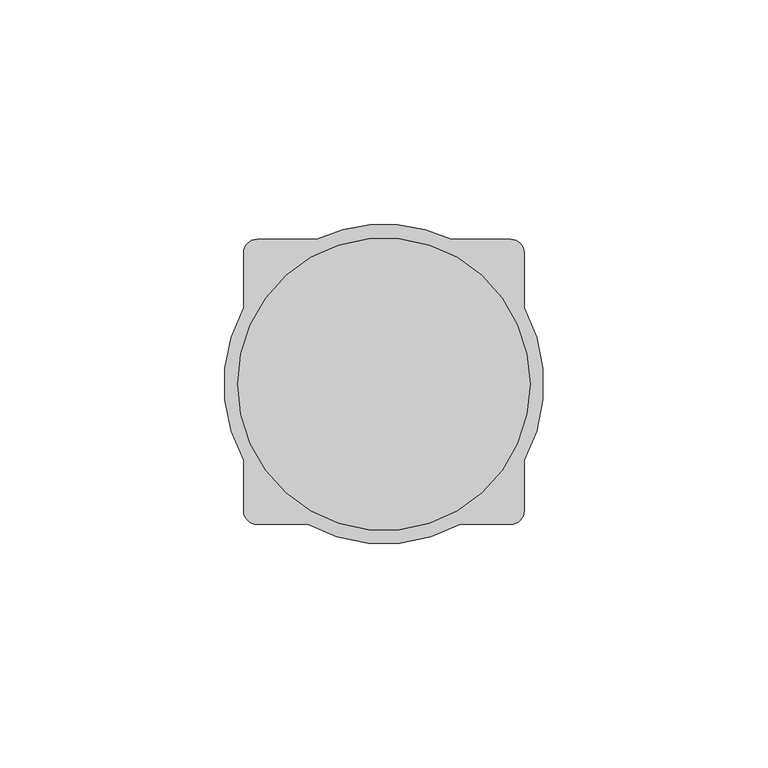
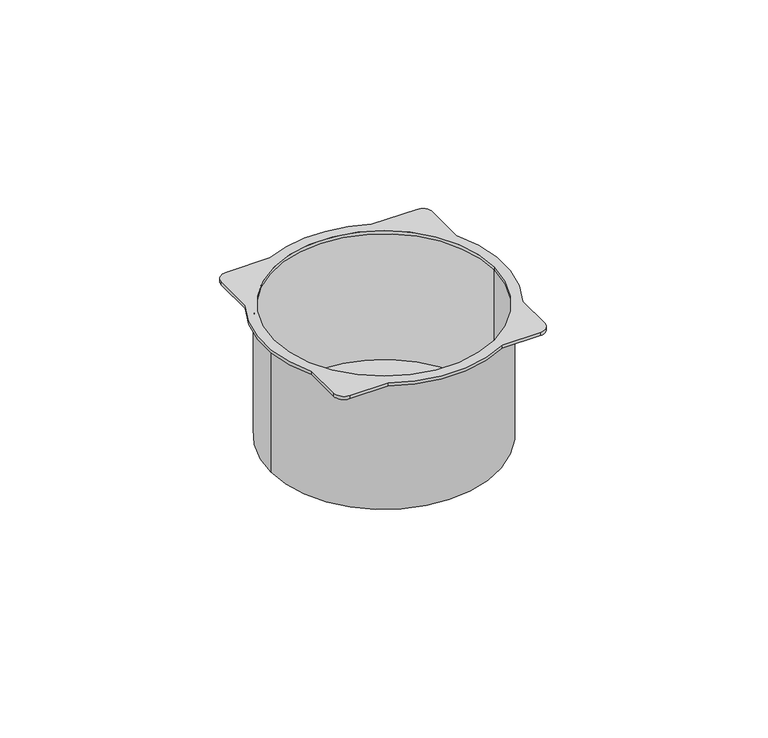
"""IFC4 building model written with IfcOpenShell, lengths in millimetres: proxy geometry."""

from ifc_helpers import new_model, si_unit, point, frame, origin, origin_with_axes, origin_2d, place, context, project, spatial, polyline, circle_curve, trimmed, segment, composite_curve, outline, extrude, source, transform, mapped, element, save
from ifc_brep_helpers import plane_surface, cylinder_surface, revolved_surface, advanced_brep


def electrical_fixtures_b76a7999(model_context):
    return source(origin(), model_context, "Body", "SolidModel", [
        advanced_brep(
        [(33.5, 0.0, -40.0), (-33.5, 0.0, -40.0), (32.5, 0.0, -40.0), (-32.5, 0.0, -40.0), (-32.5, 0.0, 0.0), (32.5, 0.0, 0.0), (-33.5, 0.0, 0.0), (33.5, 0.0, 0.0), (31.1875, -16.9584741, 1.0), (31.1875, 16.9584741, 1.0), (31.1875, 29.1875, 1.0), (28.1875, 32.1875, 1.0), (14.9738053, 32.1875, 1.0), (-14.9738053, 32.1875, 1.0), (-28.1875, 32.1875, 1.0), (-31.1875, 29.1875, 1.0), (-31.1875, 16.9584741, 1.0), (-31.1875, -16.9584741, 1.0), (-31.1875, -28.1875, 1.0), (-28.1875, -31.1875, 1.0), (-16.9584741, -31.1875, 1.0), (16.9584741, -31.1875, 1.0), (28.1875, -31.1875, 1.0), (31.1875, -28.1875, 1.0), (-32.5, 0.0, 1.0), (32.5, 0.0, 1.0), (31.1875, -16.9584741, 0.0), (31.1875, -28.1875, 0.0), (28.1875, -31.1875, 0.0), (16.9584741, -31.1875, 0.0), (-16.9584741, -31.1875, 0.0), (-28.1875, -31.1875, 0.0), (-31.1875, -28.1875, 0.0), (-31.1875, -16.9584741, 0.0), (-31.1875, 16.9584741, 0.0), (-31.1875, 29.1875, 0.0), (-28.1875, 32.1875, 0.0), (-14.9738053, 32.1875, 0.0), (14.9738053, 32.1875, 0.0), (28.1875, 32.1875, 0.0), (31.1875, 29.1875, 0.0), (31.1875, 16.9584741, 0.0)],
        [
            (0, 1, circle_curve(frame((0.0, 0.0, -40.0), z_axis=(0.0, 0.0, -1.0), x_axis=(1.0, 0.0, 0.0)), 33.5)),
            (1, 0, circle_curve(frame((0.0, 0.0, -40.0), z_axis=(0.0, 0.0, -1.0), x_axis=(1.0, 0.0, 0.0)), 33.5)),
            (2, 3, circle_curve(frame((0.0, 0.0, -40.0), z_axis=(0.0, 0.0, 1.0), x_axis=(1.0, 0.0, 0.0)), 32.5)),
            (3, 2, circle_curve(frame((0.0, 0.0, -40.0), z_axis=(0.0, 0.0, 1.0), x_axis=(1.0, 0.0, 0.0)), 32.5)),
            (3, 4),
            (4, 5, circle_curve(origin_with_axes(), 32.5)),
            (5, 2),
            (5, 4, circle_curve(origin_with_axes(), 32.5)),
            (1, 6),
            (6, 7, circle_curve(frame((0.0, 0.0, 0.0), z_axis=(0.0, 0.0, -1.0), x_axis=(1.0, 0.0, 0.0)), 33.5)),
            (7, 0),
            (7, 6, circle_curve(frame((0.0, 0.0, 0.0), z_axis=(0.0, 0.0, -1.0), x_axis=(1.0, 0.0, 0.0)), 33.5)),
            (8, 9, circle_curve(frame((0.0, 0.0, 1.0), z_axis=(0.0, 0.0, 1.0), x_axis=(1.0, 0.0, 0.0)), 35.5)),
            (9, 10),
            (10, 11, circle_curve(frame((28.1875, 29.1875, 1.0), z_axis=(0.0, 0.0, 1.0), x_axis=(-1.0, 0.0, 0.0)), 3.0)),
            (11, 12),
            (12, 13, circle_curve(frame((0.0, 0.0, 1.0), z_axis=(0.0, 0.0, 1.0), x_axis=(1.0, 0.0, 0.0)), 35.5)),
            (13, 14),
            (14, 15, circle_curve(frame((-28.1875, 29.1875, 1.0), z_axis=(0.0, 0.0, 1.0), x_axis=(1.0, 0.0, 0.0)), 3.0)),
            (15, 16),
            (16, 17, circle_curve(frame((0.0, 0.0, 1.0), z_axis=(0.0, 0.0, 1.0), x_axis=(1.0, 0.0, 0.0)), 35.5)),
            (17, 18),
            (18, 19, circle_curve(frame((-28.1875, -28.1875, 1.0), z_axis=(0.0, 0.0, 1.0), x_axis=(1.0, 0.0, 0.0)), 3.0)),
            (19, 20),
            (20, 21, circle_curve(frame((0.0, 0.0, 1.0), z_axis=(0.0, 0.0, 1.0), x_axis=(1.0, 0.0, 0.0)), 35.5)),
            (21, 22),
            (22, 23, circle_curve(frame((28.1875, -28.1875, 1.0), z_axis=(0.0, 0.0, 1.0), x_axis=(-1.0, 0.0, 0.0)), 3.0)),
            (23, 8),
            (24, 25, circle_curve(frame((0.0, 0.0, 1.0), z_axis=(0.0, 0.0, -1.0), x_axis=(1.0, 0.0, 0.0)), 32.5)),
            (25, 24, circle_curve(frame((0.0, 0.0, 1.0), z_axis=(0.0, 0.0, -1.0), x_axis=(1.0, 0.0, 0.0)), 32.5)),
            (26, 27),
            (27, 28, circle_curve(frame((28.1875, -28.1875, 0.0), z_axis=(0.0, 0.0, -1.0), x_axis=(-1.0, 0.0, 0.0)), 3.0)),
            (28, 29),
            (29, 30, circle_curve(frame((0.0, 0.0, 0.0), z_axis=(0.0, 0.0, -1.0), x_axis=(1.0, 0.0, 0.0)), 35.5)),
            (30, 31),
            (31, 32, circle_curve(frame((-28.1875, -28.1875, 0.0), z_axis=(0.0, 0.0, -1.0), x_axis=(1.0, 0.0, 0.0)), 3.0)),
            (32, 33),
            (33, 34, circle_curve(frame((0.0, 0.0, 0.0), z_axis=(0.0, 0.0, -1.0), x_axis=(1.0, 0.0, 0.0)), 35.5)),
            (34, 35),
            (35, 36, circle_curve(frame((-28.1875, 29.1875, 0.0), z_axis=(0.0, 0.0, -1.0), x_axis=(1.0, 0.0, 0.0)), 3.0)),
            (36, 37),
            (37, 38, circle_curve(frame((0.0, 0.0, 0.0), z_axis=(0.0, 0.0, -1.0), x_axis=(1.0, 0.0, 0.0)), 35.5)),
            (38, 39),
            (39, 40, circle_curve(frame((28.1875, 29.1875, 0.0), z_axis=(0.0, 0.0, -1.0), x_axis=(-1.0, 0.0, 0.0)), 3.0)),
            (40, 41),
            (41, 26, circle_curve(frame((0.0, 0.0, 0.0), z_axis=(0.0, 0.0, -1.0), x_axis=(1.0, 0.0, 0.0)), 35.5)),
            (15, 35),
            (34, 16),
            (23, 27),
            (26, 8),
            (10, 40),
            (39, 11),
            (38, 12),
            (13, 37),
            (36, 14),
            (18, 32),
            (31, 19),
            (30, 20),
            (21, 29),
            (28, 22),
            (9, 41),
            (17, 33),
            (24, 4),
            (5, 25),
        ],
        [
            plane_surface(frame((32.5, 0.0, -40.0), z_axis=(0.0, 0.0, -1.0), x_axis=(0.0, 1.0, 0.0))),
            revolved_surface(polyline([(32.5, 0.0, -40.0), (32.5, 0.0, 0.0)]), (0.0, 0.0, -40.0), (0.0, 0.0, -1.0)),
            cylinder_surface(origin_with_axes(), 33.5),
            plane_surface(frame((35.5, 0.0, 1.0), z_axis=(0.0, 0.0, 1.0), x_axis=(0.0, 1.0, 0.0))),
            plane_surface(frame((35.5, 0.0, 0.0), z_axis=(0.0, 0.0, -1.0), x_axis=(0.0, -1.0, 0.0))),
            plane_surface(frame((-31.1875, 29.1875, 1.0), z_axis=(-1.0, 0.0, 0.0), x_axis=(0.0, 0.0, -1.0))),
            plane_surface(frame((31.1875, -28.1875, 1.0), z_axis=(1.0, 0.0, 0.0), x_axis=(0.0, 0.0, -1.0))),
            cylinder_surface(frame((28.1875, 29.1875, 0.0), z_axis=(0.0, 0.0, 1.0), x_axis=(-1.0, 0.0, 0.0)), 3.0),
            plane_surface(frame((28.1875, 32.1875, 1.0), z_axis=(0.0, 1.0, 0.0), x_axis=(0.0, 0.0, -1.0))),
            plane_surface(frame((-14.9738053, 32.1875, 1.0), z_axis=(0.0, 1.0, 0.0), x_axis=(0.0, 0.0, -1.0))),
            cylinder_surface(frame((-28.1875, 29.1875, 0.0), z_axis=(0.0, 0.0, 1.0), x_axis=(1.0, 0.0, 0.0)), 3.0),
            cylinder_surface(frame((-28.1875, -28.1875, 0.0), z_axis=(0.0, 0.0, 1.0), x_axis=(1.0, 0.0, 0.0)), 3.0),
            plane_surface(frame((-28.1875, -31.1875, 1.0), z_axis=(0.0, -1.0, 0.0), x_axis=(0.0, 0.0, -1.0))),
            plane_surface(frame((16.9584741, -31.1875, 1.0), z_axis=(0.0, -1.0, 0.0), x_axis=(0.0, 0.0, -1.0))),
            cylinder_surface(frame((28.1875, -28.1875, 0.0), z_axis=(0.0, 0.0, 1.0), x_axis=(-1.0, 0.0, 0.0)), 3.0),
            plane_surface(frame((31.1875, 16.9584741, 1.0), z_axis=(1.0, 0.0, 0.0), x_axis=(0.0, 0.0, -1.0))),
            plane_surface(frame((-31.1875, -16.9584741, 1.0), z_axis=(-1.0, 0.0, 0.0), x_axis=(0.0, 0.0, -1.0))),
            cylinder_surface(origin_with_axes(), 35.5),
            revolved_surface(polyline([(32.5, 0.0, 0.0), (32.5, 0.0, 1.0)]), (0.0, 0.0, 0.0), (0.0, 0.0, -1.0)),
        ],
        [
            (0, [[1, 2], [3, 4]]),
            (1, [[-4, 5, 6, 7]]),
            (1, [[-3, -7, 8, -5]]),
            (2, [[-2, 9, 10, 11]]),
            (2, [[-1, -11, 12, -9]]),
            (3, [[13, 14, 15, 16, 17, 18, 19, 20, 21, 22, 23, 24, 25, 26, 27, 28], [29, 30]]),
            (4, [[31, 32, 33, 34, 35, 36, 37, 38, 39, 40, 41, 42, 43, 44, 45, 46], [-10, -12]]),
            (5, [[-20, 47, -39, 48]]),
            (6, [[-28, 49, -31, 50]]),
            (7, [[-15, 51, -44, 52]]),
            (8, [[-16, -52, -43, 53]]),
            (9, [[-18, 54, -41, 55]]),
            (10, [[-19, -55, -40, -47]]),
            (11, [[-23, 56, -36, 57]]),
            (12, [[-24, -57, -35, 58]]),
            (13, [[-26, 59, -33, 60]]),
            (14, [[-27, -60, -32, -49]]),
            (15, [[-14, 61, -45, -51]]),
            (16, [[-22, 62, -37, -56]]),
            (17, [[-13, -50, -46, -61]]),
            (17, [[-17, -53, -42, -54]]),
            (17, [[-21, -48, -38, -62]]),
            (17, [[-25, -58, -34, -59]]),
            (18, [[-29, 63, -8, 64]]),
            (18, [[-30, -64, -6, -63]]),
        ],
    ),
        extrude(outline(composite_curve([segment(trimmed(circle_curve(origin_2d(), 32.5), [point((32.5, 0.0))], [point((-32.5, 0.0))], False, "CARTESIAN"), True, "CONTINUOUS"), segment(trimmed(circle_curve(origin_2d(), 32.5), [point((-32.5, 0.0))], [point((32.5, 0.0))], False, "CARTESIAN"), True, "CONTINUOUS")], self_intersect=False)), frame((0.0, 0.0, -40.0), z_axis=(0.0, 0.0, 1.0), x_axis=(1.0, 0.0, 0.0)), (0.0, 0.0, 1.0), 1.0),
    ])


if __name__ == "__main__":
    model = new_model("IFC4")
    model_context = context("Model", 3, world=origin())
    ifc_project = project(units=[si_unit("LENGTHUNIT", "METRE", prefix="MILLI")], contexts=[model_context])
    site = spatial("IfcSite", under=ifc_project)
    building = spatial("IfcBuilding", under=site)
    placement = place(None, origin())
    electrical_fixtures_shape = electrical_fixtures_b76a7999(model_context)
    element("IfcBuildingElementProxy", 1, Name="Electrical Fixtures", at=placement, inside=building, context=model_context, shape_type="MappedRepresentation", body=[
        mapped(electrical_fixtures_shape, transform((0.0, 0.0, 0.0), x_axis=(1.0, 0.0, 0.0), y_axis=(0.0, 1.0, 0.0), z_axis=(0.0, 0.0, 1.0))),
    ])
    save(model, "model.ifc")
